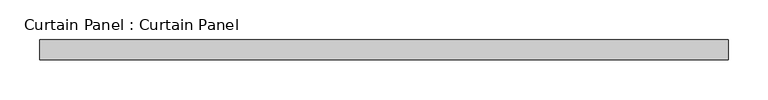
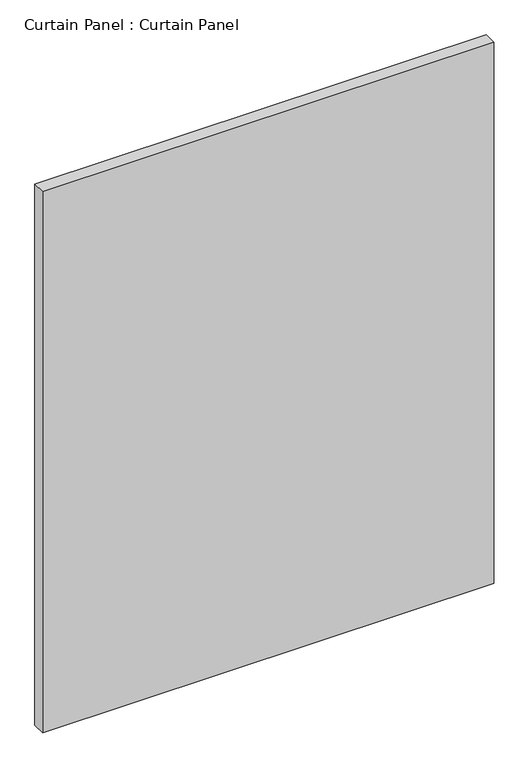
"""IFC4 building model written with IfcOpenShell, lengths in millimetres: plate geometry, Curtain Panel : Curtain Panel."""

from ifc_helpers import new_model, si_unit, frame, origin, place, context, project, spatial, polyline, outline, extrude, source, transform, mapped, element, save


def curtain_panel_curtain_panel_258a83f9(model_context):
    return source(origin(), model_context, "Body", "SweptSolid", [
        extrude(outline(polyline([(-35344.1151326, -1996.9602036), (-36210.4157815, -1996.9602036), (-36210.4157815, -1971.5602036), (-35344.1151326, -1971.5602036), (-35344.1151326, -1996.9602036)])), frame((0.0, 0.0, -622.8354492), z_axis=(0.0, 0.0, 1.0), x_axis=(1.0, 0.0, 0.0)), (0.0, 0.0, 1.0), 1098.2140306),
    ])


if __name__ == "__main__":
    model = new_model("IFC4")
    model_context = context("Model", 3, world=origin())
    ifc_project = project(units=[si_unit("LENGTHUNIT", "METRE", prefix="MILLI")], contexts=[model_context])
    site = spatial("IfcSite", under=ifc_project)
    building = spatial("IfcBuilding", under=site)
    placement = place(None, origin())
    curtain_panel_curtain_panel_shape = curtain_panel_curtain_panel_258a83f9(model_context)
    element("IfcPlate", 1, ObjectType="Curtain Panel : Curtain Panel", at=placement, inside=building, context=model_context, shape_type="MappedRepresentation", body=[
        mapped(curtain_panel_curtain_panel_shape, transform((0.0, 0.0, 0.0), x_axis=(1.0, 0.0, 0.0), y_axis=(0.0, 1.0, 0.0), z_axis=(0.0, 0.0, 1.0))),
    ])
    save(model, "model.ifc")
